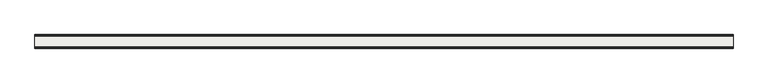
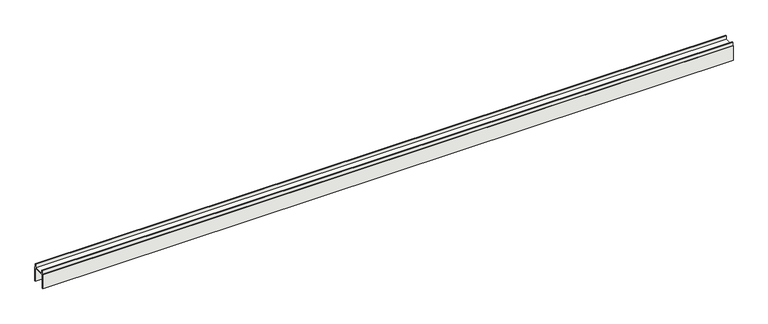
"""IFC4 building model written with IfcOpenShell, lengths in millimetres: covering geometry."""

from ifc_helpers import new_model, si_unit, frame, origin, place, context, project, spatial, polyline, outline, extrude, source, transform, mapped, element, save


def covering_2b920aff(model_context):
    return source(origin(), model_context, "Body", "SweptSolid", [
        extrude(outline(polyline([(19.0, 0.0), (17.0, 0.0), (17.0, 40.0), (-17.0, 40.0), (-17.0, 0.0), (-19.0, 0.0), (-19.0, 42.0), (-17.0, 42.0), (-17.0, 52.0), (-15.0, 52.0), (-15.0, 42.0), (15.0, 42.0), (15.0, 52.0), (17.0, 52.0), (17.0, 42.0), (19.0, 42.0), (19.0, 0.0)])), frame((0.0, 0.0, 0.0), z_axis=(1.0, 0.0, 0.0), x_axis=(0.0, 1.0, 0.0)), (0.0, 0.0, 1.0), 1950.0),
    ])


if __name__ == "__main__":
    model = new_model("IFC4")
    model_context = context("Model", 3, world=origin())
    ifc_project = project(units=[si_unit("LENGTHUNIT", "METRE", prefix="MILLI")], contexts=[model_context])
    site = spatial("IfcSite", under=ifc_project)
    building = spatial("IfcBuilding", under=site)
    placement = place(None, origin())
    covering_shape = covering_2b920aff(model_context)
    element("IfcCovering", 1, at=placement, inside=building, context=model_context, shape_type="MappedRepresentation", body=[
        mapped(covering_shape, transform((0.0, 0.0, 0.0), x_axis=(1.0, 0.0, 0.0), y_axis=(0.0, 1.0, 0.0), z_axis=(0.0, 0.0, 1.0))),
    ])
    save(model, "model.ifc")
